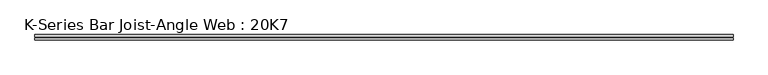
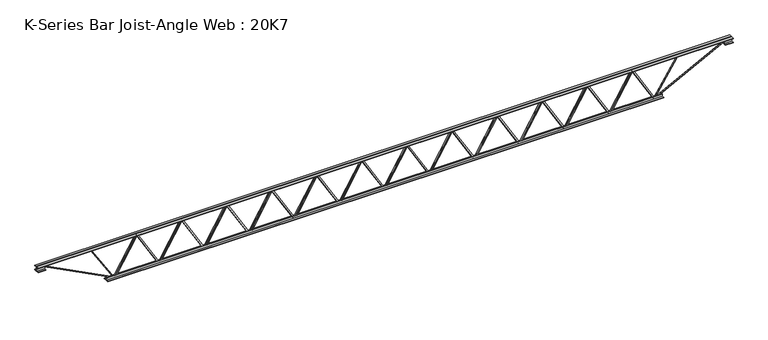
"""IFC4 building model written with IfcOpenShell, lengths in millimetres: beam geometry, K-Series Bar Joist-Angle Web : 20K7."""

from ifc_helpers import new_model, si_unit, frame, origin, place, context, project, spatial, polyline, outline, extrude, faceted_brep, source, transform, mapped, element, save


def k_series_bar_joist_angle_web_20k7_aae0b43b(model_context):
    return source(origin(), model_context, "Body", "SolidModel", [
        extrude(outline(polyline([(-4.7625, 4.7625), (-4.7625, 0.0), (-17.4625, 0.0), (-17.4625, 4.7625), (-4.7625, 4.7625)])), frame((2931.0070269, 0.0, -215.9), z_axis=(-0.5066895930677912, 0.0, 0.8621285613391986), x_axis=(0.0, -1.0, 0.0)), (0.0, 0.0, 1.0), 500.8533754),
        extrude(outline(polyline([(-250.825, 2963.3333333), (-231.775, 2963.3333333), (-231.775, 2962.4335432), (250.825, 2678.8002099), (250.825, 2660.65), (231.775, 2660.65), (231.775, 2667.8997901), (-250.825, 2951.5331234), (-250.825, 2963.3333333)])), frame((0.0, 0.0, 0.0), z_axis=(0.0, 1.0, 0.0), x_axis=(0.0, 0.0, 1.0)), (0.0, 0.0, 1.0), 4.7625),
        faceted_brep([(2370.6666667, 0.0, -231.775), (2370.6666667, 0.0, -250.825), (2370.6666667, -4.7625, -250.825), (2370.6666667, -4.7625, -231.775), (2371.5664568, 0.0, -231.775), (2655.1997901, 0.0, 250.825), (2673.35, 0.0, 250.825), (2673.35, 0.0, 231.775), (2666.1002099, 0.0, 231.775), (2382.4668766, 0.0, -250.825), (2382.4668766, -4.7625, -250.825), (2402.9929731, -4.7625, -215.9), (2398.8870858, -4.7625, -213.4868908), (2652.6642788, -4.7625, 218.3131092), (2656.770166, -4.7625, 215.9), (2666.1002099, -4.7625, 231.775), (2673.35, -4.7625, 231.775), (2673.35, -4.7625, 250.825), (2655.1997901, -4.7625, 250.825), (2371.5664568, -4.7625, -231.775), (2656.770166, -17.4625, 215.9), (2402.9929731, -17.4625, -215.9), (2398.8870858, -17.4625, -213.4868908), (2652.6642788, -17.4625, 218.3131092)], [[[0, 1, 2, 3]], [[1, 0, 4, 5, 6, 7, 8, 9]], [[2, 1, 9, 10]], [[3, 2, 10, 11, 12, 13, 14, 15, 16, 17, 18, 19]], [[0, 3, 19, 4]], [[9, 8, 15, 14, 20, 21, 11, 10]], [[5, 4, 19, 18]], [[7, 6, 17, 16]], [[8, 7, 16, 15]], [[6, 5, 18, 17]], [[21, 22, 12, 11]], [[20, 14, 13, 23]], [[22, 21, 20, 23]], [[12, 22, 23, 13]]]),
        extrude(outline(polyline([(-4.7625, 4.7624999), (-4.7625, 0.0), (-17.4625, 0.0), (-17.4625, 4.7624999), (-4.7625, 4.7624999)])), frame((2338.3403603, 0.0, -215.9), z_axis=(-0.5066895930677912, 0.0, 0.8621285613391986), x_axis=(0.0, -1.0, 0.0)), (0.0, 0.0, 1.0), 500.8533754),
        extrude(outline(polyline([(-250.825, 2370.6666667), (-231.775, 2370.6666667), (-231.775, 2369.7668766), (250.825, 2086.1335432), (250.825, 2067.9833333), (231.775, 2067.9833333), (231.775, 2075.2331234), (-250.825, 2358.8664568), (-250.825, 2370.6666667)])), frame((0.0, 0.0, 0.0), z_axis=(0.0, 1.0, 0.0), x_axis=(0.0, 0.0, 1.0)), (0.0, 0.0, 1.0), 4.7625),
        faceted_brep([(1778.0, 0.0, -231.775), (1778.0, 0.0, -250.825), (1778.0, -4.7625, -250.825), (1778.0, -4.7625, -231.775), (1778.8997901, 0.0, -231.775), (2062.5331234, 0.0, 250.825), (2080.6833333, 0.0, 250.825), (2080.6833333, 0.0, 231.775), (2073.4335432, 0.0, 231.775), (1789.8002099, 0.0, -250.825), (1789.8002099, -4.7625, -250.825), (1810.3263064, -4.7625, -215.9), (1806.2204191, -4.7625, -213.4868908), (2059.9976121, -4.7625, 218.3131092), (2064.1034994, -4.7625, 215.9), (2073.4335432, -4.7625, 231.775), (2080.6833333, -4.7625, 231.775), (2080.6833333, -4.7625, 250.825), (2062.5331234, -4.7625, 250.825), (1778.8997901, -4.7625, -231.775), (2064.1034994, -17.4625, 215.9), (1810.3263064, -17.4625, -215.9), (1806.2204191, -17.4625, -213.4868908), (2059.9976121, -17.4625, 218.3131092)], [[[0, 1, 2, 3]], [[1, 0, 4, 5, 6, 7, 8, 9]], [[2, 1, 9, 10]], [[3, 2, 10, 11, 12, 13, 14, 15, 16, 17, 18, 19]], [[0, 3, 19, 4]], [[9, 8, 15, 14, 20, 21, 11, 10]], [[5, 4, 19, 18]], [[7, 6, 17, 16]], [[8, 7, 16, 15]], [[6, 5, 18, 17]], [[21, 22, 12, 11]], [[20, 14, 13, 23]], [[22, 21, 20, 23]], [[12, 22, 23, 13]]]),
        extrude(outline(polyline([(-4.7625, 4.7625), (-4.7625, 0.0), (-17.4625, 0.0), (-17.4625, 4.7625), (-4.7625, 4.7625)])), frame((1745.6736936, 0.0, -215.9), z_axis=(-0.5066895930677912, 0.0, 0.8621285613391986), x_axis=(0.0, -1.0, 0.0)), (0.0, 0.0, 1.0), 500.8533754),
        extrude(outline(polyline([(-250.825, 1778.0), (-231.775, 1778.0), (-231.775, 1777.1002099), (250.825, 1493.4668766), (250.825, 1475.3166667), (231.775, 1475.3166667), (231.775, 1482.5664568), (-250.825, 1766.1997901), (-250.825, 1778.0)])), frame((0.0, 0.0, 0.0), z_axis=(0.0, 1.0, 0.0), x_axis=(0.0, 0.0, 1.0)), (0.0, 0.0, 1.0), 4.7625),
        faceted_brep([(1185.3333333, 0.0, -231.775), (1185.3333333, 0.0, -250.825), (1185.3333333, -4.7625, -250.825), (1185.3333333, -4.7625, -231.775), (1186.2331234, 0.0, -231.775), (1469.8664568, 0.0, 250.825), (1488.0166667, 0.0, 250.825), (1488.0166667, 0.0, 231.775), (1480.7668766, 0.0, 231.775), (1197.1335432, 0.0, -250.825), (1197.1335432, -4.7625, -250.825), (1217.6596397, -4.7625, -215.9), (1213.5537525, -4.7625, -213.4868908), (1467.3309454, -4.7625, 218.3131092), (1471.4368327, -4.7625, 215.9), (1480.7668766, -4.7625, 231.775), (1488.0166667, -4.7625, 231.775), (1488.0166667, -4.7625, 250.825), (1469.8664568, -4.7625, 250.825), (1186.2331234, -4.7625, -231.775), (1471.4368327, -17.4625, 215.9), (1217.6596397, -17.4625, -215.9), (1213.5537525, -17.4625, -213.4868908), (1467.3309454, -17.4625, 218.3131092)], [[[0, 1, 2, 3]], [[1, 0, 4, 5, 6, 7, 8, 9]], [[2, 1, 9, 10]], [[3, 2, 10, 11, 12, 13, 14, 15, 16, 17, 18, 19]], [[0, 3, 19, 4]], [[9, 8, 15, 14, 20, 21, 11, 10]], [[5, 4, 19, 18]], [[7, 6, 17, 16]], [[8, 7, 16, 15]], [[6, 5, 18, 17]], [[21, 22, 12, 11]], [[20, 14, 13, 23]], [[22, 21, 20, 23]], [[12, 22, 23, 13]]]),
        extrude(outline(polyline([(-4.7625, 4.7625), (-4.7625, 0.0), (-17.4625, 0.0), (-17.4625, 4.7625), (-4.7625, 4.7625)])), frame((1153.0070269, 0.0, -215.9), z_axis=(-0.5066895930677912, 0.0, 0.8621285613391986), x_axis=(0.0, -1.0, 0.0)), (0.0, 0.0, 1.0), 500.8533754),
        extrude(outline(polyline([(-250.825, 1185.3333333), (-231.775, 1185.3333333), (-231.775, 1184.4335432), (250.825, 900.8002099), (250.825, 882.65), (231.775, 882.65), (231.775, 889.8997901), (-250.825, 1173.5331234), (-250.825, 1185.3333333)])), frame((0.0, 0.0, 0.0), z_axis=(0.0, 1.0, 0.0), x_axis=(0.0, 0.0, 1.0)), (0.0, 0.0, 1.0), 4.7625),
        faceted_brep([(592.6666667, 0.0, -231.775), (592.6666667, 0.0, -250.825), (592.6666667, -4.7625, -250.825), (592.6666667, -4.7625, -231.775), (593.5664568, 0.0, -231.775), (877.1997901, 0.0, 250.825), (895.35, 0.0, 250.825), (895.35, 0.0, 231.775), (888.1002099, 0.0, 231.775), (604.4668766, 0.0, -250.825), (604.4668766, -4.7625, -250.825), (624.9929731, -4.7625, -215.9), (620.8870858, -4.7625, -213.4868908), (874.6642788, -4.7625, 218.3131092), (878.770166, -4.7625, 215.9), (888.1002099, -4.7625, 231.775), (895.35, -4.7625, 231.775), (895.35, -4.7625, 250.825), (877.1997901, -4.7625, 250.825), (593.5664568, -4.7625, -231.775), (878.770166, -17.4625, 215.9), (624.9929731, -17.4625, -215.9), (620.8870858, -17.4625, -213.4868908), (874.6642788, -17.4625, 218.3131092)], [[[0, 1, 2, 3]], [[1, 0, 4, 5, 6, 7, 8, 9]], [[2, 1, 9, 10]], [[3, 2, 10, 11, 12, 13, 14, 15, 16, 17, 18, 19]], [[0, 3, 19, 4]], [[9, 8, 15, 14, 20, 21, 11, 10]], [[5, 4, 19, 18]], [[7, 6, 17, 16]], [[8, 7, 16, 15]], [[6, 5, 18, 17]], [[21, 22, 12, 11]], [[20, 14, 13, 23]], [[22, 21, 20, 23]], [[12, 22, 23, 13]]]),
        extrude(outline(polyline([(-4.7625, 4.7624999), (-4.7625, 0.0), (-17.4625, 0.0), (-17.4625, 4.7624999), (-4.7625, 4.7624999)])), frame((560.3403603, 0.0, -215.9), z_axis=(-0.5066895930677912, 0.0, 0.8621285613391986), x_axis=(0.0, -1.0, 0.0)), (0.0, 0.0, 1.0), 500.8533754),
        extrude(outline(polyline([(-250.825, 592.6666667), (-231.775, 592.6666667), (-231.775, 591.7668766), (250.825, 308.1335432), (250.825, 289.9833333), (231.775, 289.9833333), (231.775, 297.2331234), (-250.825, 580.8664568), (-250.825, 592.6666667)])), frame((0.0, 0.0, 0.0), z_axis=(0.0, 1.0, 0.0), x_axis=(0.0, 0.0, 1.0)), (0.0, 0.0, 1.0), 4.7625),
        faceted_brep([(0.0, 0.0, -231.775), (0.0, 0.0, -250.825), (0.0, -4.7625, -250.825), (0.0, -4.7625, -231.775), (0.8997901, 0.0, -231.775), (284.5331234, 0.0, 250.825), (302.6833333, 0.0, 250.825), (302.6833333, 0.0, 231.775), (295.4335432, 0.0, 231.775), (11.8002099, 0.0, -250.825), (11.8002099, -4.7625, -250.825), (32.3263064, -4.7625, -215.9), (28.2204191, -4.7625, -213.4868908), (281.9976121, -4.7625, 218.3131092), (286.1034994, -4.7625, 215.9), (295.4335432, -4.7625, 231.775), (302.6833333, -4.7625, 231.775), (302.6833333, -4.7625, 250.825), (284.5331234, -4.7625, 250.825), (0.8997901, -4.7625, -231.775), (286.1034994, -17.4625, 215.9), (32.3263064, -17.4625, -215.9), (28.2204191, -17.4625, -213.4868908), (281.9976121, -17.4625, 218.3131092)], [[[0, 1, 2, 3]], [[1, 0, 4, 5, 6, 7, 8, 9]], [[2, 1, 9, 10]], [[3, 2, 10, 11, 12, 13, 14, 15, 16, 17, 18, 19]], [[0, 3, 19, 4]], [[9, 8, 15, 14, 20, 21, 11, 10]], [[5, 4, 19, 18]], [[7, 6, 17, 16]], [[8, 7, 16, 15]], [[6, 5, 18, 17]], [[21, 22, 12, 11]], [[20, 14, 13, 23]], [[22, 21, 20, 23]], [[12, 22, 23, 13]]]),
        extrude(outline(polyline([(-4.7625, 4.7625), (-4.7625, 0.0), (-17.4625, 0.0), (-17.4625, 4.7625), (-4.7625, 4.7625)])), frame((-32.3263064, 0.0, -215.9), z_axis=(-0.5066895930677912, 0.0, 0.8621285613391986), x_axis=(0.0, -1.0, 0.0)), (0.0, 0.0, 1.0), 500.8533754),
        extrude(outline(polyline([(-250.825, 0.0), (-231.775, 0.0), (-231.775, -0.8997901), (250.825, -284.5331234), (250.825, -302.6833333), (231.775, -302.6833333), (231.775, -295.4335432), (-250.825, -11.8002099), (-250.825, 0.0)])), frame((0.0, 0.0, 0.0), z_axis=(0.0, 1.0, 0.0), x_axis=(0.0, 0.0, 1.0)), (0.0, 0.0, 1.0), 4.7625),
        faceted_brep([(-592.6666667, 0.0, -231.775), (-592.6666667, 0.0, -250.825), (-592.6666667, -4.7625, -250.825), (-592.6666667, -4.7625, -231.775), (-591.7668766, 0.0, -231.775), (-308.1335432, 0.0, 250.825), (-289.9833333, 0.0, 250.825), (-289.9833333, 0.0, 231.775), (-297.2331234, 0.0, 231.775), (-580.8664568, 0.0, -250.825), (-580.8664568, -4.7625, -250.825), (-560.3403603, -4.7625, -215.9), (-564.4462475, -4.7625, -213.4868908), (-310.6690546, -4.7625, 218.3131092), (-306.5631673, -4.7625, 215.9), (-297.2331234, -4.7625, 231.775), (-289.9833333, -4.7625, 231.775), (-289.9833333, -4.7625, 250.825), (-308.1335432, -4.7625, 250.825), (-591.7668766, -4.7625, -231.775), (-306.5631673, -17.4625, 215.9), (-560.3403603, -17.4625, -215.9), (-564.4462475, -17.4625, -213.4868908), (-310.6690546, -17.4625, 218.3131092)], [[[0, 1, 2, 3]], [[1, 0, 4, 5, 6, 7, 8, 9]], [[2, 1, 9, 10]], [[3, 2, 10, 11, 12, 13, 14, 15, 16, 17, 18, 19]], [[0, 3, 19, 4]], [[9, 8, 15, 14, 20, 21, 11, 10]], [[5, 4, 19, 18]], [[7, 6, 17, 16]], [[8, 7, 16, 15]], [[6, 5, 18, 17]], [[21, 22, 12, 11]], [[20, 14, 13, 23]], [[22, 21, 20, 23]], [[12, 22, 23, 13]]]),
        extrude(outline(polyline([(-4.7625, 4.7625), (-4.7625, 0.0), (-17.4625, 0.0), (-17.4625, 4.7625), (-4.7625, 4.7625)])), frame((-624.9929731, 0.0, -215.9), z_axis=(-0.5066895930677912, 0.0, 0.8621285613391986), x_axis=(0.0, -1.0, 0.0)), (0.0, 0.0, 1.0), 500.8533754),
        extrude(outline(polyline([(-250.825, -592.6666667), (-231.775, -592.6666667), (-231.775, -593.5664568), (250.825, -877.1997901), (250.825, -895.35), (231.775, -895.35), (231.775, -888.1002099), (-250.825, -604.4668766), (-250.825, -592.6666667)])), frame((0.0, 0.0, 0.0), z_axis=(0.0, 1.0, 0.0), x_axis=(0.0, 0.0, 1.0)), (0.0, 0.0, 1.0), 4.7625),
        faceted_brep([(-1185.3333333, 0.0, -231.775), (-1185.3333333, 0.0, -250.825), (-1185.3333333, -4.7625, -250.825), (-1185.3333333, -4.7625, -231.775), (-1184.4335432, 0.0, -231.775), (-900.8002099, 0.0, 250.825), (-882.65, 0.0, 250.825), (-882.65, 0.0, 231.775), (-889.8997901, 0.0, 231.775), (-1173.5331234, 0.0, -250.825), (-1173.5331234, -4.7625, -250.825), (-1153.0070269, -4.7625, -215.9), (-1157.1129142, -4.7625, -213.4868908), (-903.3357212, -4.7625, 218.3131092), (-899.229834, -4.7625, 215.9), (-889.8997901, -4.7625, 231.775), (-882.65, -4.7625, 231.775), (-882.65, -4.7625, 250.825), (-900.8002099, -4.7625, 250.825), (-1184.4335432, -4.7625, -231.775), (-899.229834, -17.4625, 215.9), (-1153.0070269, -17.4625, -215.9), (-1157.1129142, -17.4625, -213.4868908), (-903.3357212, -17.4625, 218.3131092)], [[[0, 1, 2, 3]], [[1, 0, 4, 5, 6, 7, 8, 9]], [[2, 1, 9, 10]], [[3, 2, 10, 11, 12, 13, 14, 15, 16, 17, 18, 19]], [[0, 3, 19, 4]], [[9, 8, 15, 14, 20, 21, 11, 10]], [[5, 4, 19, 18]], [[7, 6, 17, 16]], [[8, 7, 16, 15]], [[6, 5, 18, 17]], [[21, 22, 12, 11]], [[20, 14, 13, 23]], [[22, 21, 20, 23]], [[12, 22, 23, 13]]]),
        extrude(outline(polyline([(-4.7625, 4.7624999), (-4.7625, 0.0), (-17.4625, 0.0), (-17.4625, 4.7624999), (-4.7625, 4.7624999)])), frame((-1217.6596397, 0.0, -215.9), z_axis=(-0.5066895930677912, 0.0, 0.8621285613391986), x_axis=(0.0, -1.0, 0.0)), (0.0, 0.0, 1.0), 500.8533754),
        extrude(outline(polyline([(-250.825, -1185.3333333), (-231.775, -1185.3333333), (-231.775, -1186.2331234), (250.825, -1469.8664568), (250.825, -1488.0166667), (231.775, -1488.0166667), (231.775, -1480.7668766), (-250.825, -1197.1335432), (-250.825, -1185.3333333)])), frame((0.0, 0.0, 0.0), z_axis=(0.0, 1.0, 0.0), x_axis=(0.0, 0.0, 1.0)), (0.0, 0.0, 1.0), 4.7625),
        faceted_brep([(-1778.0, 0.0, -231.775), (-1778.0, 0.0, -250.825), (-1778.0, -4.7625, -250.825), (-1778.0, -4.7625, -231.775), (-1777.1002099, 0.0, -231.775), (-1493.4668766, 0.0, 250.825), (-1475.3166667, 0.0, 250.825), (-1475.3166667, 0.0, 231.775), (-1482.5664568, 0.0, 231.775), (-1766.1997901, 0.0, -250.825), (-1766.1997901, -4.7625, -250.825), (-1745.6736936, -4.7625, -215.9), (-1749.7795809, -4.7625, -213.4868908), (-1496.0023879, -4.7625, 218.3131092), (-1491.8965006, -4.7625, 215.9), (-1482.5664568, -4.7625, 231.775), (-1475.3166667, -4.7625, 231.775), (-1475.3166667, -4.7625, 250.825), (-1493.4668766, -4.7625, 250.825), (-1777.1002099, -4.7625, -231.775), (-1491.8965006, -17.4625, 215.9), (-1745.6736936, -17.4625, -215.9), (-1749.7795809, -17.4625, -213.4868908), (-1496.0023879, -17.4625, 218.3131092)], [[[0, 1, 2, 3]], [[1, 0, 4, 5, 6, 7, 8, 9]], [[2, 1, 9, 10]], [[3, 2, 10, 11, 12, 13, 14, 15, 16, 17, 18, 19]], [[0, 3, 19, 4]], [[9, 8, 15, 14, 20, 21, 11, 10]], [[5, 4, 19, 18]], [[7, 6, 17, 16]], [[8, 7, 16, 15]], [[6, 5, 18, 17]], [[21, 22, 12, 11]], [[20, 14, 13, 23]], [[22, 21, 20, 23]], [[12, 22, 23, 13]]]),
        extrude(outline(polyline([(-4.7625, 4.7625), (-4.7625, 0.0), (-17.4625, 0.0), (-17.4625, 4.7625), (-4.7625, 4.7625)])), frame((-1810.3263064, 0.0, -215.9), z_axis=(-0.5066895930677912, 0.0, 0.8621285613391986), x_axis=(0.0, -1.0, 0.0)), (0.0, 0.0, 1.0), 500.8533754),
        extrude(outline(polyline([(-250.825, -1778.0), (-231.775, -1778.0), (-231.775, -1778.8997901), (250.825, -2062.5331234), (250.825, -2080.6833333), (231.775, -2080.6833333), (231.775, -2073.4335432), (-250.825, -1789.8002099), (-250.825, -1778.0)])), frame((0.0, 0.0, 0.0), z_axis=(0.0, 1.0, 0.0), x_axis=(0.0, 0.0, 1.0)), (0.0, 0.0, 1.0), 4.7625),
        faceted_brep([(-2370.6666667, 0.0, -231.775), (-2370.6666667, 0.0, -250.825), (-2370.6666667, -4.7625, -250.825), (-2370.6666667, -4.7625, -231.775), (-2369.7668766, 0.0, -231.775), (-2086.1335432, 0.0, 250.825), (-2067.9833333, 0.0, 250.825), (-2067.9833333, 0.0, 231.775), (-2075.2331234, 0.0, 231.775), (-2358.8664568, 0.0, -250.825), (-2358.8664568, -4.7625, -250.825), (-2338.3403603, -4.7625, -215.9), (-2342.4462475, -4.7625, -213.4868908), (-2088.6690546, -4.7625, 218.3131092), (-2084.5631673, -4.7625, 215.9), (-2075.2331234, -4.7625, 231.775), (-2067.9833333, -4.7625, 231.775), (-2067.9833333, -4.7625, 250.825), (-2086.1335432, -4.7625, 250.825), (-2369.7668766, -4.7625, -231.775), (-2084.5631673, -17.4625, 215.9), (-2338.3403603, -17.4625, -215.9), (-2342.4462475, -17.4625, -213.4868908), (-2088.6690546, -17.4625, 218.3131092)], [[[0, 1, 2, 3]], [[1, 0, 4, 5, 6, 7, 8, 9]], [[2, 1, 9, 10]], [[3, 2, 10, 11, 12, 13, 14, 15, 16, 17, 18, 19]], [[0, 3, 19, 4]], [[9, 8, 15, 14, 20, 21, 11, 10]], [[5, 4, 19, 18]], [[7, 6, 17, 16]], [[8, 7, 16, 15]], [[6, 5, 18, 17]], [[21, 22, 12, 11]], [[20, 14, 13, 23]], [[22, 21, 20, 23]], [[12, 22, 23, 13]]]),
        extrude(outline(polyline([(-4.7625, 4.7625), (-4.7625, 0.0), (-17.4625, 0.0), (-17.4625, 4.7625), (-4.7625, 4.7625)])), frame((-2402.9929731, 0.0, -215.9), z_axis=(-0.5066895930677912, 0.0, 0.8621285613391986), x_axis=(0.0, -1.0, 0.0)), (0.0, 0.0, 1.0), 500.8533754),
        extrude(outline(polyline([(-250.825, -2370.6666667), (-231.775, -2370.6666667), (-231.775, -2371.5664568), (250.825, -2655.1997901), (250.825, -2673.35), (231.775, -2673.35), (231.775, -2666.1002099), (-250.825, -2382.4668766), (-250.825, -2370.6666667)])), frame((0.0, 0.0, 0.0), z_axis=(0.0, 1.0, 0.0), x_axis=(0.0, 0.0, 1.0)), (0.0, 0.0, 1.0), 4.7625),
        faceted_brep([(-2963.3333333, 0.0, -231.775), (-2963.3333333, 0.0, -250.825), (-2963.3333333, -4.7625, -250.825), (-2963.3333333, -4.7625, -231.775), (-2962.4335432, 0.0, -231.775), (-2678.8002099, 0.0, 250.825), (-2660.65, 0.0, 250.825), (-2660.65, 0.0, 231.775), (-2667.8997901, 0.0, 231.775), (-2951.5331234, 0.0, -250.825), (-2951.5331234, -4.7625, -250.825), (-2931.0070269, -4.7625, -215.9), (-2935.1129142, -4.7625, -213.4868908), (-2681.3357212, -4.7625, 218.3131092), (-2677.229834, -4.7625, 215.9), (-2667.8997901, -4.7625, 231.775), (-2660.65, -4.7625, 231.775), (-2660.65, -4.7625, 250.825), (-2678.8002099, -4.7625, 250.825), (-2962.4335432, -4.7625, -231.775), (-2677.229834, -17.4625, 215.9), (-2931.0070269, -17.4625, -215.9), (-2935.1129142, -17.4625, -213.4868908), (-2681.3357212, -17.4625, 218.3131092)], [[[0, 1, 2, 3]], [[1, 0, 4, 5, 6, 7, 8, 9]], [[2, 1, 9, 10]], [[3, 2, 10, 11, 12, 13, 14, 15, 16, 17, 18, 19]], [[0, 3, 19, 4]], [[9, 8, 15, 14, 20, 21, 11, 10]], [[5, 4, 19, 18]], [[7, 6, 17, 16]], [[8, 7, 16, 15]], [[6, 5, 18, 17]], [[21, 22, 12, 11]], [[20, 14, 13, 23]], [[22, 21, 20, 23]], [[12, 22, 23, 13]]]),
        extrude(outline(polyline([(-4.7625, 4.7625), (-4.7625, 0.0), (-17.4625, 0.0), (-17.4625, 4.7625), (-4.7625, 4.7625)])), frame((3523.6736936, 0.0, -215.9), z_axis=(-0.5066895930677912, 0.0, 0.8621285613391986), x_axis=(0.0, -1.0, 0.0)), (0.0, 0.0, 1.0), 500.8533754),
        extrude(outline(polyline([(-250.825, 3556.0), (-231.775, 3556.0), (-231.775, 3555.1002099), (250.825, 3271.4668766), (250.825, 3253.3166667), (231.775, 3253.3166667), (231.775, 3260.5664568), (-250.825, 3544.1997901), (-250.825, 3556.0)])), frame((0.0, 0.0, 0.0), z_axis=(0.0, 1.0, 0.0), x_axis=(0.0, 0.0, 1.0)), (0.0, 0.0, 1.0), 4.7625),
        faceted_brep([(2963.3333333, 0.0, -231.775), (2963.3333333, 0.0, -250.825), (2963.3333333, -4.7625, -250.825), (2963.3333333, -4.7625, -231.775), (2964.2331234, 0.0, -231.775), (3247.8664568, 0.0, 250.825), (3266.0166667, 0.0, 250.825), (3266.0166667, 0.0, 231.775), (3258.7668766, 0.0, 231.775), (2975.1335432, 0.0, -250.825), (2975.1335432, -4.7625, -250.825), (2995.6596397, -4.7625, -215.9), (2991.5537525, -4.7625, -213.4868908), (3245.3309454, -4.7625, 218.3131092), (3249.4368327, -4.7625, 215.9), (3258.7668766, -4.7625, 231.775), (3266.0166667, -4.7625, 231.775), (3266.0166667, -4.7625, 250.825), (3247.8664568, -4.7625, 250.825), (2964.2331234, -4.7625, -231.775), (3249.4368327, -17.4625, 215.9), (2995.6596397, -17.4625, -215.9), (2991.5537525, -17.4625, -213.4868908), (3245.3309454, -17.4625, 218.3131092)], [[[0, 1, 2, 3]], [[1, 0, 4, 5, 6, 7, 8, 9]], [[2, 1, 9, 10]], [[3, 2, 10, 11, 12, 13, 14, 15, 16, 17, 18, 19]], [[0, 3, 19, 4]], [[9, 8, 15, 14, 20, 21, 11, 10]], [[5, 4, 19, 18]], [[7, 6, 17, 16]], [[8, 7, 16, 15]], [[6, 5, 18, 17]], [[21, 22, 12, 11]], [[20, 14, 13, 23]], [[22, 21, 20, 23]], [[12, 22, 23, 13]]]),
        extrude(outline(polyline([(-4.7625, 4.7624999), (-4.7625, 0.0), (-17.4625, 0.0), (-17.4625, 4.7624999), (-4.7625, 4.7624999)])), frame((-2995.6596397, 0.0, -215.9), z_axis=(-0.5066895930677912, 0.0, 0.8621285613391986), x_axis=(0.0, -1.0, 0.0)), (0.0, 0.0, 1.0), 500.8533754),
        extrude(outline(polyline([(-250.825, -2963.3333333), (-231.775, -2963.3333333), (-231.775, -2964.2331234), (250.825, -3247.8664568), (250.825, -3266.0166667), (231.775, -3266.0166667), (231.775, -3258.7668766), (-250.825, -2975.1335432), (-250.825, -2963.3333333)])), frame((0.0, 0.0, 0.0), z_axis=(0.0, 1.0, 0.0), x_axis=(0.0, 0.0, 1.0)), (0.0, 0.0, 1.0), 4.7625),
        faceted_brep([(-3556.0, 0.0, -231.775), (-3556.0, 0.0, -250.825), (-3556.0, -4.7625, -250.825), (-3556.0, -4.7625, -231.775), (-3555.1002099, 0.0, -231.775), (-3271.4668766, 0.0, 250.825), (-3253.3166667, 0.0, 250.825), (-3253.3166667, 0.0, 231.775), (-3260.5664568, 0.0, 231.775), (-3544.1997901, 0.0, -250.825), (-3544.1997901, -4.7625, -250.825), (-3523.6736936, -4.7625, -215.9), (-3527.7795809, -4.7625, -213.4868908), (-3274.0023879, -4.7625, 218.3131092), (-3269.8965006, -4.7625, 215.9), (-3260.5664568, -4.7625, 231.775), (-3253.3166667, -4.7625, 231.775), (-3253.3166667, -4.7625, 250.825), (-3271.4668766, -4.7625, 250.825), (-3555.1002099, -4.7625, -231.775), (-3269.8965006, -17.4625, 215.9), (-3523.6736936, -17.4625, -215.9), (-3527.7795809, -17.4625, -213.4868908), (-3274.0023879, -17.4625, 218.3131092)], [[[0, 1, 2, 3]], [[1, 0, 4, 5, 6, 7, 8, 9]], [[2, 1, 9, 10]], [[3, 2, 10, 11, 12, 13, 14, 15, 16, 17, 18, 19]], [[0, 3, 19, 4]], [[9, 8, 15, 14, 20, 21, 11, 10]], [[5, 4, 19, 18]], [[7, 6, 17, 16]], [[8, 7, 16, 15]], [[6, 5, 18, 17]], [[21, 22, 12, 11]], [[20, 14, 13, 23]], [[22, 21, 20, 23]], [[12, 22, 23, 13]]]),
        extrude(outline(polyline([(4.7625, 254.0), (36.5125, 254.0), (36.5125, 247.65), (11.1125, 247.65), (11.1125, 222.25), (4.7625, 222.25), (4.7625, 254.0)])), frame((-4572.0, 0.0, 0.0), z_axis=(1.0, 0.0, 0.0), x_axis=(0.0, 1.0, 0.0)), (0.0, 0.0, 1.0), 9144.0),
        extrude(outline(polyline([(-4.7625, 254.0), (-4.7625, 222.25), (-11.1125, 222.25), (-11.1125, 247.65), (-36.5125, 247.65), (-36.5125, 254.0), (-4.7625, 254.0)])), frame((-4572.0, 0.0, 0.0), z_axis=(1.0, 0.0, 0.0), x_axis=(0.0, 1.0, 0.0)), (0.0, 0.0, 1.0), 9144.0),
        extrude(outline(polyline([(-4.7625, 190.5), (-36.5125, 190.5), (-36.5125, 196.85), (-11.1125, 196.85), (-11.1125, 222.25), (-4.7625, 222.25), (-4.7625, 190.5)])), frame((-4572.0, 0.0, 0.0), z_axis=(1.0, 0.0, 0.0), x_axis=(0.0, 1.0, 0.0)), (0.0, 0.0, 1.0), 101.6),
        extrude(outline(polyline([(36.5125, 190.5), (4.7625, 190.5), (4.7625, 222.25), (11.1125, 222.25), (11.1125, 196.85), (36.5125, 196.85), (36.5125, 190.5)])), frame((-4572.0, 0.0, 0.0), z_axis=(1.0, 0.0, 0.0), x_axis=(0.0, 1.0, 0.0)), (0.0, 0.0, 1.0), 101.6),
        extrude(outline(polyline([(4.7625, 190.5), (4.7625, 222.25), (11.1125, 222.25), (11.1125, 196.85), (36.5125, 196.85), (36.5125, 190.5), (4.7625, 190.5)])), frame((4470.4, 0.0, 0.0), z_axis=(1.0, 0.0, 0.0), x_axis=(0.0, 1.0, 0.0)), (0.0, 0.0, 1.0), 101.6),
        extrude(outline(polyline([(-4.7625, 190.5), (-36.5125, 190.5), (-36.5125, 196.85), (-11.1125, 196.85), (-11.1125, 222.25), (-4.7625, 222.25), (-4.7625, 190.5)])), frame((4470.4, 0.0, 0.0), z_axis=(1.0, 0.0, 0.0), x_axis=(0.0, 1.0, 0.0)), (0.0, 0.0, 1.0), 101.6),
        extrude(outline(polyline([(4.7625, -254.0), (4.7625, -222.25), (11.1125, -222.25), (11.1125, -247.65), (36.5125, -247.65), (36.5125, -254.0), (4.7625, -254.0)])), frame((-3657.6, 0.0, 0.0), z_axis=(1.0, 0.0, 0.0), x_axis=(0.0, 1.0, 0.0)), (0.0, 0.0, 1.0), 7315.2),
        extrude(outline(polyline([(-4.7625, -254.0), (-36.5125, -254.0), (-36.5125, -247.65), (-11.1125, -247.65), (-11.1125, -222.25), (-4.7625, -222.25), (-4.7625, -254.0)])), frame((-3657.6, 0.0, 0.0), z_axis=(1.0, 0.0, 0.0), x_axis=(0.0, 1.0, 0.0)), (0.0, 0.0, 1.0), 7315.2),
        extrude(outline(polyline([(4.7625, 4.7625), (4.7625, -4.7625), (-4.7625, -4.7625), (-4.7625, 4.7625), (4.7625, 4.7625)])), frame((3556.0, 0.0, -247.65), z_axis=(0.5334194615243482, 0.0, 0.8458508604163469), x_axis=(0.0, -1.0, 0.0)), (0.0, 0.0, 1.0), 555.5352864),
        extrude(outline(polyline([(4.7625, 4.7625), (4.7625, -4.7625), (-4.7625, -4.7625), (-4.7625, 4.7625), (4.7625, 4.7625)])), frame((-3556.0, 0.0, -247.65), z_axis=(-0.5334194615243246, 0.0, 0.8458508604163618), x_axis=(0.0, -1.0, 0.0)), (0.0, 0.0, 1.0), 555.5352864),
        extrude(outline(polyline([(0.0, -9.525), (0.0, 0.0), (1028.0726482, 0.0), (1028.0726482, -9.525), (0.0, -9.525)])), frame((4472.5767905, -4.7625, 218.0140834), z_axis=(-0.4570688665020413, 0.0, 0.8894313077885999), x_axis=(-0.8894313077885999, 0.0, -0.4570688665020413)), (0.0, 0.0, 1.0), 9.525),
        extrude(outline(polyline([(0.0, -9.525), (0.0, 0.0), (1028.0726482, 0.0), (1028.0726482, -9.525), (0.0, -9.525)])), frame((-4472.5767905, 4.7625, 218.0140834), z_axis=(0.45706886650204065, 0.0, 0.8894313077886002), x_axis=(0.8894313077886002, 0.0, -0.45706886650204065)), (0.0, 0.0, 1.0), 9.525),
    ])


if __name__ == "__main__":
    model = new_model("IFC4")
    model_context = context("Model", 3, world=origin())
    ifc_project = project(units=[si_unit("LENGTHUNIT", "METRE", prefix="MILLI")], contexts=[model_context])
    site = spatial("IfcSite", under=ifc_project)
    building = spatial("IfcBuilding", under=site)
    placement = place(None, origin())
    k_series_bar_joist_angle_web_20k7_shape = k_series_bar_joist_angle_web_20k7_aae0b43b(model_context)
    element("IfcBeam", 1, ObjectType="K-Series Bar Joist-Angle Web : 20K7", at=placement, inside=building, context=model_context, shape_type="MappedRepresentation", body=[
        mapped(k_series_bar_joist_angle_web_20k7_shape, transform((0.0, 0.0, 0.0), x_axis=(1.0, 0.0, 0.0), y_axis=(0.0, 1.0, 0.0), z_axis=(0.0, 0.0, 1.0))),
    ])
    save(model, "model.ifc")
